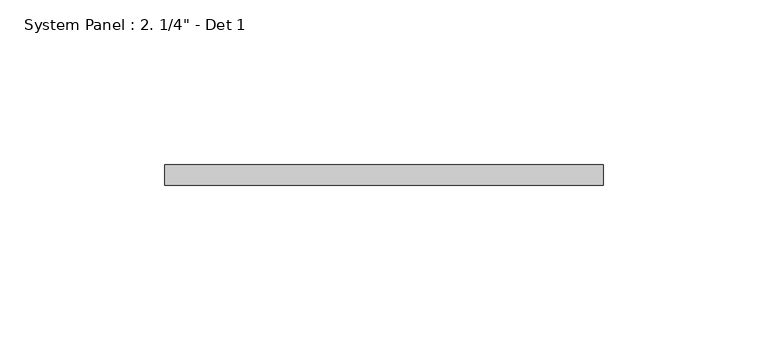
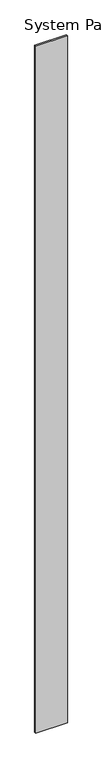
"""IFC4 building model written with IfcOpenShell, lengths in millimetres: plate geometry."""

from ifc_helpers import new_model, si_unit, origin, origin_with_axes, place, context, project, spatial, polyline, outline, extrude, source, transform, mapped, element, save


def plate_d4d1eaf8(model_context):
    return source(origin(), model_context, "Body", "SweptSolid", [
        extrude(outline(polyline([(66.675, 0.0), (-66.675, 0.0), (-66.675, 6.35), (66.675, 6.35), (66.675, 0.0)])), origin_with_axes(), (0.0, 0.0, 1.0), 3048.0),
    ])


if __name__ == "__main__":
    model = new_model("IFC4")
    model_context = context("Model", 3, world=origin())
    ifc_project = project(units=[si_unit("LENGTHUNIT", "METRE", prefix="MILLI")], contexts=[model_context])
    site = spatial("IfcSite", under=ifc_project)
    building = spatial("IfcBuilding", under=site)
    placement = place(None, origin())
    plate_shape = plate_d4d1eaf8(model_context)
    element("IfcPlate", 1, ObjectType="System Panel : 2. 1/4\" - Det 1", at=placement, inside=building, context=model_context, shape_type="MappedRepresentation", body=[
        mapped(plate_shape, transform((0.0, 0.0, 0.0), x_axis=(1.0, 0.0, 0.0), y_axis=(0.0, 1.0, 0.0), z_axis=(0.0, 0.0, 1.0))),
    ])
    save(model, "model.ifc")
